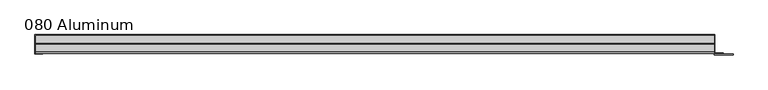
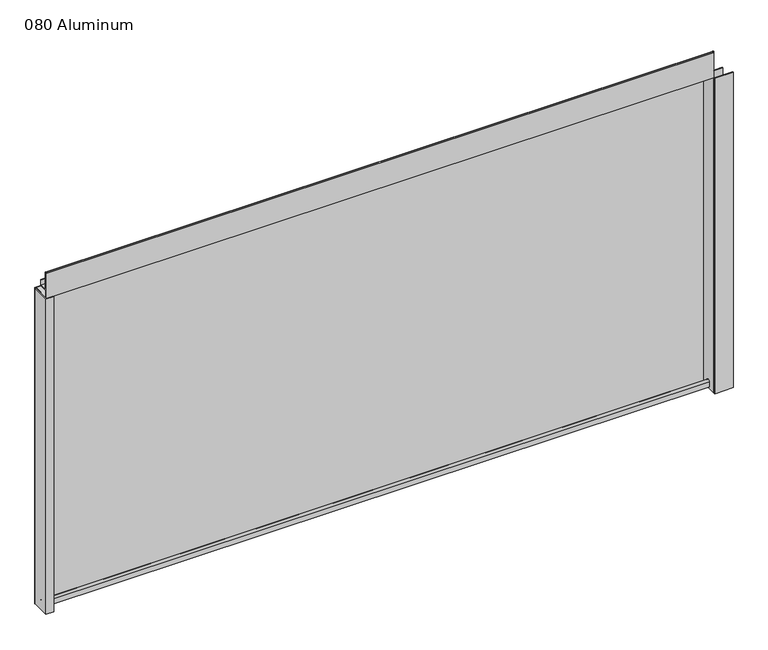
"""IFC4 building model written with IfcOpenShell, lengths in millimetres: plate geometry, 080 Aluminum."""

from ifc_helpers import new_model, si_unit, point, frame, frame_2d, origin, origin_with_axes, place, context, project, spatial, polyline, circle_curve, trimmed, segment, composite_curve, outline, extrude, source, transform, mapped, element, save


def plate_080_aluminum_d7547130(model_context):
    return source(origin(), model_context, "Body", "SweptSolid", [
        extrude(outline(polyline([(-614.68, 2.5660257), (-601.7894994, 2.5660257), (-601.7894994, 1.2699999), (-615.9499999, 1.2699999), (-615.9499999, 34.7980001), (-614.68, 34.7980001), (-614.68, 2.5660257)])), origin_with_axes(), (0.0, 0.0, 1.0), 608.33),
        extrude(outline(composite_curve([segment(trimmed(circle_curve(frame_2d((19.8514743, 13.124237)), 3.175), [point((16.6765477, 13.1458337))], [point((23.0264743, 13.124237))], False, "CARTESIAN"), True, "CONTINUOUS"), segment(polyline([(23.0264743, 13.124237), (23.0264743, 1.2693678), (34.7980002, 1.2693678), (34.7980002, 0.0), (21.7564743, 0.0), (21.7564743, 13.124237)]), True, "CONTINUOUS"), segment(trimmed(circle_curve(frame_2d((19.8514743, 13.124237)), 1.905), [point((21.7564743, 13.124237))], [point((17.9464915, 13.1323356))], True, "CARTESIAN"), True, "CONTINUOUS"), segment(polyline([(17.9464915, 13.1323356), (17.9464915, 2.786437), (16.6765477, 2.786437), (16.6765477, 13.1458337)]), True, "CONTINUOUS")], self_intersect=False)), frame((-614.68, 0.0, 0.0), z_axis=(1.0, 0.0, 0.0), x_axis=(0.0, 1.0, 0.0)), (0.0, 0.0, 1.0), 1216.66),
        extrude(outline(composite_curve([segment(trimmed(circle_curve(frame_2d((3.7084742, 656.7932001)), 1.6509999), [point((2.0574743, 656.7932001))], [point((5.3594742, 656.7932001))], False, "CARTESIAN"), True, "CONTINUOUS"), segment(polyline([(5.3594742, 656.7932001), (5.3594742, 623.57), (19.2164743, 623.57), (19.2164743, 633.6538), (20.4864742, 633.6538), (20.4864742, 622.3), (4.0894742, 622.3), (4.0894742, 656.7932001)]), True, "CONTINUOUS"), segment(trimmed(circle_curve(frame_2d((3.7084742, 656.7932001)), 0.3809999), [point((4.0894742, 656.7932001))], [point((3.3274743, 656.7932001))], True, "CARTESIAN"), True, "CONTINUOUS"), segment(polyline([(3.3274743, 656.7932001), (3.3274743, 609.6000001), (34.7980002, 609.6000001), (34.7980002, 608.33), (2.0574743, 608.33), (2.0574743, 656.7932001)]), True, "CONTINUOUS")], self_intersect=False)), frame((-614.68, 0.0, 0.0), z_axis=(1.0, 0.0, 0.0), x_axis=(0.0, 1.0, 0.0)), (0.0, 0.0, 1.0), 1216.66),
        extrude(outline(polyline([(-615.95, 36.068), (603.25, 36.068), (603.25, 34.7980001), (-615.95, 34.7980001), (-615.95, 36.068)])), origin_with_axes(), (0.0, 0.0, 1.0), 609.6),
        extrude(outline(polyline([(603.25, 1.2699999), (635.7620856, 1.2699999), (635.7620856, 0.0), (601.9800001, 0.0), (601.9800001, 34.7980002), (603.25, 34.7980002), (603.25, 1.2699999)])), origin_with_axes(), (0.0, 0.0, 1.0), 608.33),
        extrude(outline(polyline([(601.98, 3.3274743), (617.7279999, 3.3274743), (617.7279999, 2.0574743), (601.98, 2.0574743), (601.98, 3.3274743)])), origin_with_axes(), (0.0, 0.0, 1.0), 622.3),
    ])


if __name__ == "__main__":
    model = new_model("IFC4")
    model_context = context("Model", 3, world=origin())
    ifc_project = project(units=[si_unit("LENGTHUNIT", "METRE", prefix="MILLI")], contexts=[model_context])
    site = spatial("IfcSite", under=ifc_project)
    building = spatial("IfcBuilding", under=site)
    placement = place(None, origin())
    plate_080_aluminum_shape = plate_080_aluminum_d7547130(model_context)
    element("IfcPlate", 1, ObjectType="080 Aluminum", at=placement, inside=building, context=model_context, shape_type="MappedRepresentation", body=[
        mapped(plate_080_aluminum_shape, transform((0.0, 0.0, 0.0), x_axis=(1.0, 0.0, 0.0), y_axis=(0.0, 1.0, 0.0), z_axis=(0.0, 0.0, 1.0))),
    ])
    save(model, "model.ifc")
